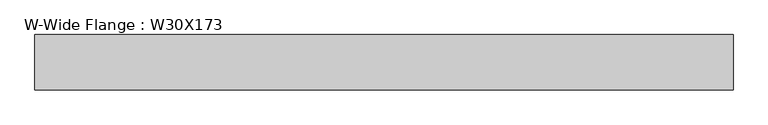
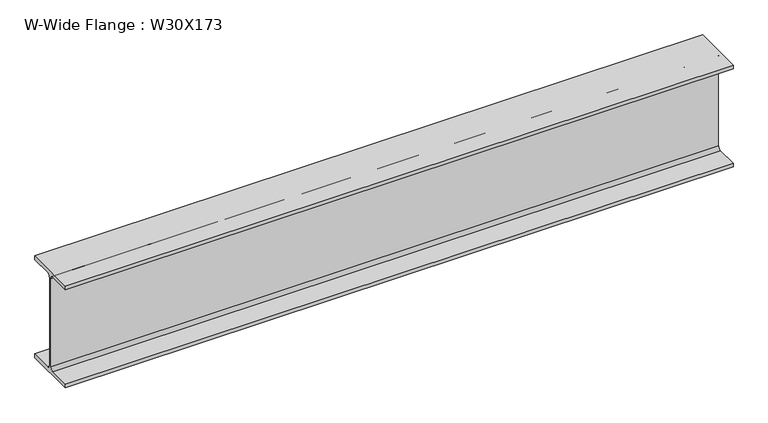
"""IFC4 building model written with IfcOpenShell, lengths in millimetres: beam geometry, W-Wide Flange : W30X173."""

from ifc_helpers import new_model, si_unit, point, frame, frame_2d, origin, place, context, project, spatial, polyline, circle_curve, trimmed, segment, composite_curve, outline, extrude, source, transform, mapped, element, save


def w_wide_flange_w30x173_5d3d3574(model_context):
    return source(origin(), model_context, "Body", "SweptSolid", [
        extrude(outline(composite_curve([segment(polyline([(190.5, -358.902), (190.5, -386.08), (-190.5, -386.08), (-190.5, -358.902), (-31.9405, -358.902)]), True, "CONTINUOUS"), segment(trimmed(circle_curve(frame_2d((-31.9405, -335.28)), 23.622), [point((-31.9405, -358.902))], [point((-8.3185, -335.28))], True, "CARTESIAN"), True, "CONTINUOUS"), segment(polyline([(-8.3185, -335.28), (-8.3185, 335.28)]), True, "CONTINUOUS"), segment(trimmed(circle_curve(frame_2d((-31.9405, 335.28)), 23.622), [point((-8.3185, 335.28))], [point((-31.9405, 358.902))], True, "CARTESIAN"), True, "CONTINUOUS"), segment(polyline([(-31.9405, 358.902), (-190.5, 358.902), (-190.5, 386.08), (190.5, 386.08), (190.5, 358.902), (31.9405, 358.902)]), True, "CONTINUOUS"), segment(trimmed(circle_curve(frame_2d((31.9405, 335.28)), 23.622), [point((31.9405, 358.902))], [point((8.3185, 335.28))], True, "CARTESIAN"), True, "CONTINUOUS"), segment(polyline([(8.3185, 335.28), (8.3185, -335.28)]), True, "CONTINUOUS"), segment(trimmed(circle_curve(frame_2d((31.9405, -335.28)), 23.622), [point((8.3185, -335.28))], [point((31.9405, -358.902))], True, "CARTESIAN"), True, "CONTINUOUS"), segment(polyline([(31.9405, -358.902), (190.5, -358.902)]), True, "CONTINUOUS")], self_intersect=False)), frame((-2400.3, 0.0, 0.0), z_axis=(1.0, 0.0, 0.0), x_axis=(0.0, 1.0, 0.0)), (0.0, 0.0, 1.0), 4800.6),
    ])


if __name__ == "__main__":
    model = new_model("IFC4")
    model_context = context("Model", 3, world=origin())
    ifc_project = project(units=[si_unit("LENGTHUNIT", "METRE", prefix="MILLI")], contexts=[model_context])
    site = spatial("IfcSite", under=ifc_project)
    building = spatial("IfcBuilding", under=site)
    placement = place(None, origin())
    w_wide_flange_w30x173_shape = w_wide_flange_w30x173_5d3d3574(model_context)
    element("IfcBeam", 1, ObjectType="W-Wide Flange : W30X173", at=placement, inside=building, context=model_context, shape_type="MappedRepresentation", body=[
        mapped(w_wide_flange_w30x173_shape, transform((0.0, 0.0, 0.0), x_axis=(1.0, 0.0, 0.0), y_axis=(0.0, 1.0, 0.0), z_axis=(0.0, 0.0, 1.0))),
    ])
    save(model, "model.ifc")
